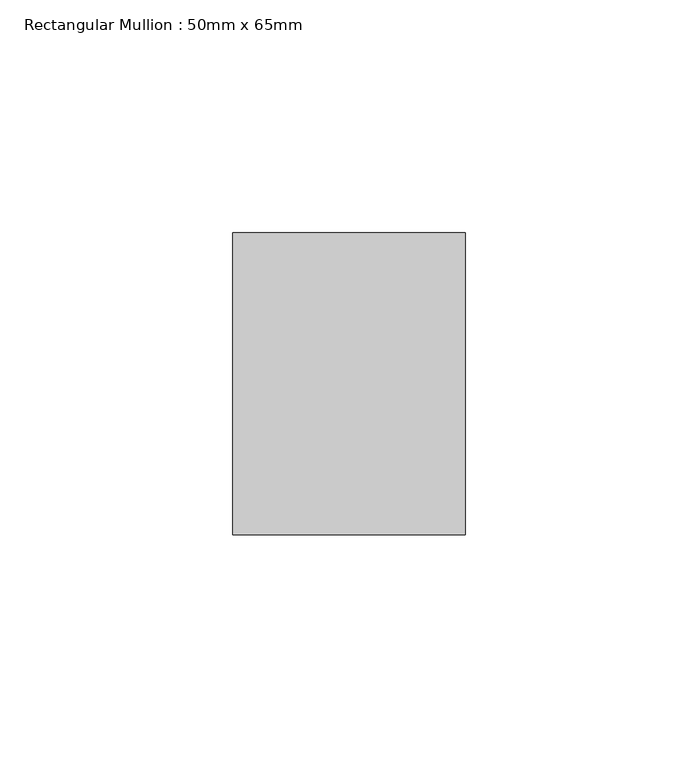
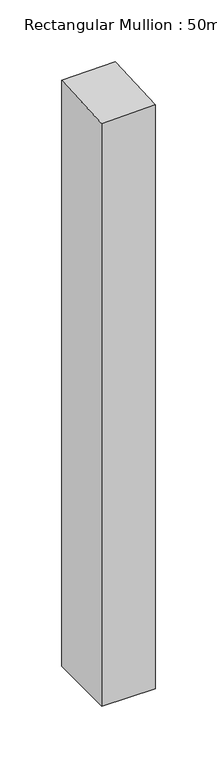
"""IFC4 building model written with IfcOpenShell, lengths in millimetres: member geometry, Rectangular Mullion : 50mm x 65mm."""

from ifc_helpers import new_model, si_unit, origin, place, context, project, spatial, faceted_brep, source, transform, mapped, element, save


def rectangular_mullion_50mm_x_65mm_50d5ead2(model_context):
    return source(origin(), model_context, "Body", "Brep", [
        faceted_brep([(25.0, 32.5, -578.7326287), (25.0, -32.5, -578.7326287), (-25.0, -32.5, -578.7326287), (-25.0, 32.5, -578.7326287), (-25.0, 32.5, 1.2415312), (25.0, 32.5, 2.1312915), (-25.0, -32.5, -2.1312915), (25.0, -32.5, -1.2415312)], [[[0, 1, 2, 3]], [[4, 5, 0, 3]], [[6, 4, 3, 2]], [[7, 6, 2, 1]], [[5, 7, 1, 0]], [[5, 4, 6, 7]]]),
    ])


if __name__ == "__main__":
    model = new_model("IFC4")
    model_context = context("Model", 3, world=origin())
    ifc_project = project(units=[si_unit("LENGTHUNIT", "METRE", prefix="MILLI")], contexts=[model_context])
    site = spatial("IfcSite", under=ifc_project)
    building = spatial("IfcBuilding", under=site)
    placement = place(None, origin())
    rectangular_mullion_50mm_x_65mm_shape = rectangular_mullion_50mm_x_65mm_50d5ead2(model_context)
    element("IfcMember", 1, ObjectType="Rectangular Mullion : 50mm x 65mm", at=placement, inside=building, context=model_context, shape_type="MappedRepresentation", body=[
        mapped(rectangular_mullion_50mm_x_65mm_shape, transform((0.0, 0.0, 0.0), x_axis=(1.0, 0.0, 0.0), y_axis=(0.0, 1.0, 0.0), z_axis=(0.0, 0.0, 1.0))),
    ])
    save(model, "model.ifc")
